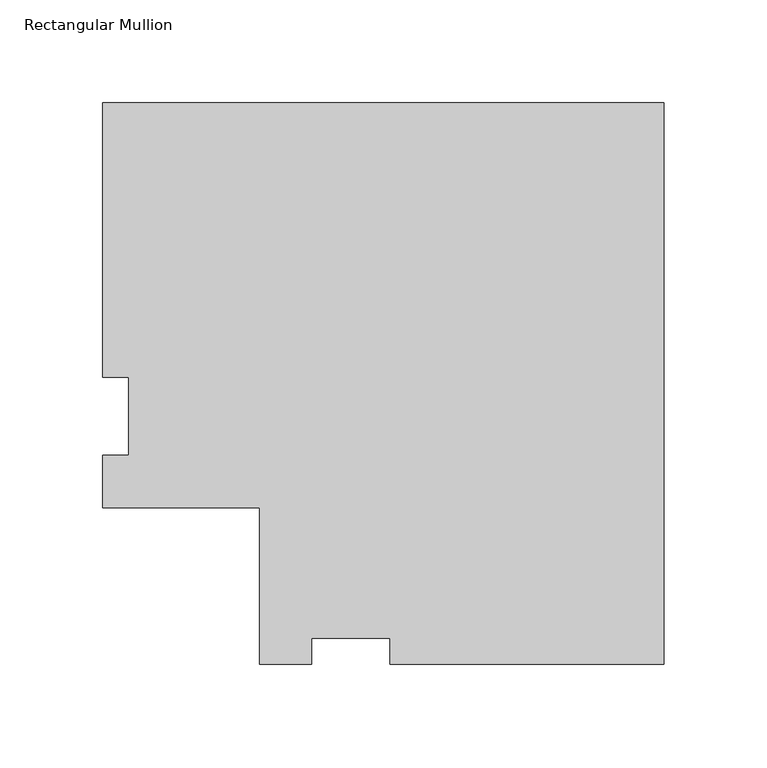
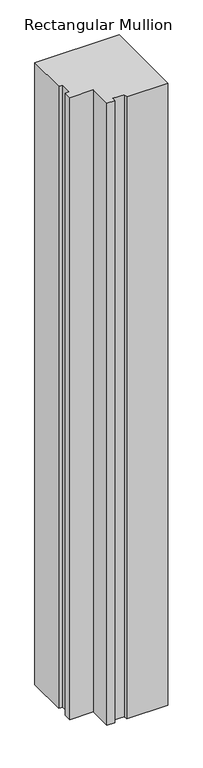
"""IFC4 building model written with IfcOpenShell, lengths in millimetres: member geometry, Rectangular Mullion."""

from ifc_helpers import new_model, si_unit, frame, origin, place, context, project, spatial, polyline, outline, extrude, source, transform, mapped, element, save


def rectangular_mullion_794db375(model_context):
    return source(origin(), model_context, "Body", "SweptSolid", [
        extrude(outline(polyline([(0.0, 190.5992188), (0.0, -82.4645439), (-133.3500001, -82.4645439), (-133.3500001, -69.7645439), (-171.45, -69.7645439), (-171.45, -82.4645434), (-196.8637627, -82.4645434), (-196.8637627, -6.2645439), (-273.0637621, -6.2645439), (-273.0637621, 19.1492188), (-260.3637627, 19.1492188), (-260.3637627, 57.2492187), (-273.0637632, 57.2492187), (-273.0637632, 190.5992188), (0.0, 190.5992188)])), frame((0.0, 0.0, -2133.6), z_axis=(0.0, 0.0, 1.0), x_axis=(1.0, 0.0, 0.0)), (0.0, 0.0, 1.0), 2133.6),
    ])


if __name__ == "__main__":
    model = new_model("IFC4")
    model_context = context("Model", 3, world=origin())
    ifc_project = project(units=[si_unit("LENGTHUNIT", "METRE", prefix="MILLI")], contexts=[model_context])
    site = spatial("IfcSite", under=ifc_project)
    building = spatial("IfcBuilding", under=site)
    placement = place(None, origin())
    rectangular_mullion_shape = rectangular_mullion_794db375(model_context)
    element("IfcMember", 1, ObjectType="Rectangular Mullion", at=placement, inside=building, context=model_context, shape_type="MappedRepresentation", body=[
        mapped(rectangular_mullion_shape, transform((0.0, 0.0, 0.0), x_axis=(1.0, 0.0, 0.0), y_axis=(0.0, 1.0, 0.0), z_axis=(0.0, 0.0, 1.0))),
    ])
    save(model, "model.ifc")
